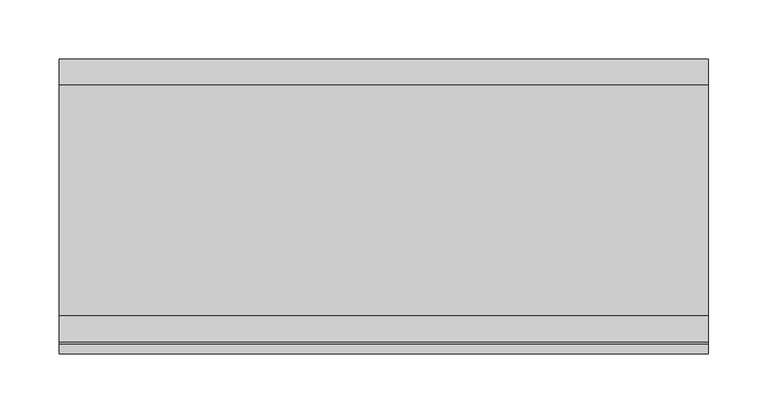
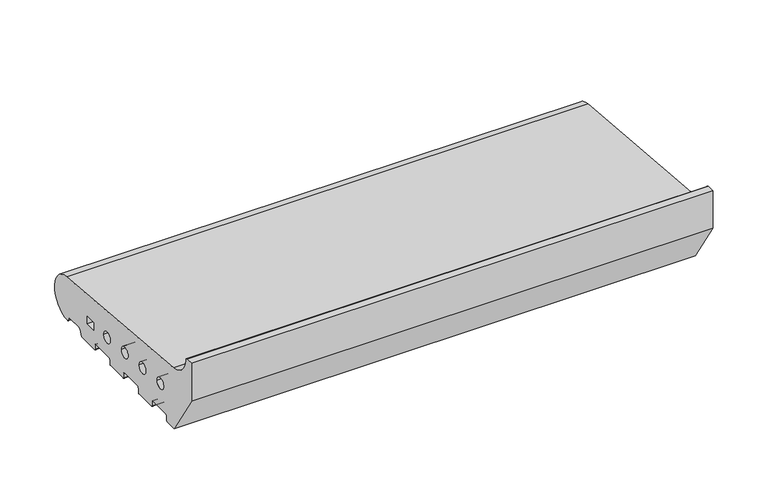
"""IFC4 building model written with IfcOpenShell, lengths in millimetres: proxy geometry."""

from ifc_helpers import new_model, si_unit, point, frame, frame_2d, origin, place, context, project, spatial, polyline, circle_curve, trimmed, segment, composite_curve, outline, extrude, source, transform, mapped, element, save


def generic_models_930ce304(model_context):
    return source(origin(), model_context, "Body", "SweptSolid", [
        extrude(outline(composite_curve([segment(trimmed(circle_curve(frame_2d((26.0, 26.5)), 24.0), [point((28.0858073, 50.4091909))], [point((26.5981483, 2.5074549))], False, "CARTESIAN"), True, "CONTINUOUS"), segment(trimmed(circle_curve(frame_2d((26.5732255, 3.5071443)), 1.0), [point((26.5981483, 2.5074549))], [point((25.7072001, 3.0071443))], False, "CARTESIAN"), True, "CONTINUOUS"), segment(polyline([(25.7072001, 3.0071443), (23.6905989, 6.5)]), True, "CONTINUOUS"), segment(trimmed(circle_curve(frame_2d((21.9585481, 5.5)), 2.0), [point((23.6905989, 6.5))], [point((21.9585481, 7.5))], True, "CARTESIAN"), True, "CONTINUOUS"), segment(polyline([(21.9585481, 7.5), (5.4848276, 7.5)]), True, "CONTINUOUS"), segment(trimmed(circle_curve(frame_2d((5.4848276, 5.5)), 2.0), [point((5.4848276, 7.5))], [point((3.7527767, 6.5))], True, "CARTESIAN"), True, "CONTINUOUS"), segment(polyline([(3.7527767, 6.5), (0.2886751, 0.5)]), True, "CONTINUOUS"), segment(trimmed(circle_curve(frame_2d((-0.5773503, 1.0)), 1.0), [point((0.2886751, 0.5))], [point((-0.5773503, 0.0))], False, "CARTESIAN"), True, "CONTINUOUS"), segment(polyline([(-0.5773503, 0.0), (-23.0, 0.0)]), True, "CONTINUOUS"), segment(trimmed(circle_curve(frame_2d((-23.0, 1.0)), 1.0), [point((-23.0, 0.0))], [point((-24.0, 1.0))], False, "CARTESIAN"), True, "CONTINUOUS"), segment(polyline([(-24.0, 1.0), (-24.0, 5.5)]), True, "CONTINUOUS"), segment(trimmed(circle_curve(frame_2d((-26.0, 5.5)), 2.0), [point((-24.0, 5.5))], [point((-26.0, 7.5))], True, "CARTESIAN"), True, "CONTINUOUS"), segment(polyline([(-26.0, 7.5), (-49.0, 7.5)]), True, "CONTINUOUS"), segment(trimmed(circle_curve(frame_2d((-49.0, 5.5)), 2.0), [point((-49.0, 7.5))], [point((-51.0, 5.5))], True, "CARTESIAN"), True, "CONTINUOUS"), segment(polyline([(-51.0, 5.5), (-51.0, 1.0)]), True, "CONTINUOUS"), segment(trimmed(circle_curve(frame_2d((-52.0, 1.0)), 1.0), [point((-51.0, 1.0))], [point((-52.0, 0.0))], False, "CARTESIAN"), True, "CONTINUOUS"), segment(polyline([(-52.0, 0.0), (-75.0, 0.0)]), True, "CONTINUOUS"), segment(trimmed(circle_curve(frame_2d((-75.0, 1.0)), 1.0), [point((-75.0, 0.0))], [point((-76.0, 1.0))], False, "CARTESIAN"), True, "CONTINUOUS"), segment(polyline([(-76.0, 1.0), (-76.0, 5.5)]), True, "CONTINUOUS"), segment(trimmed(circle_curve(frame_2d((-78.0, 5.5)), 2.0), [point((-76.0, 5.5))], [point((-78.0, 7.5))], True, "CARTESIAN"), True, "CONTINUOUS"), segment(polyline([(-78.0, 7.5), (-101.0, 7.5)]), True, "CONTINUOUS"), segment(trimmed(circle_curve(frame_2d((-101.0, 5.5)), 2.0), [point((-101.0, 7.5))], [point((-103.0, 5.5))], True, "CARTESIAN"), True, "CONTINUOUS"), segment(polyline([(-103.0, 5.5), (-103.0, 1.0)]), True, "CONTINUOUS"), segment(trimmed(circle_curve(frame_2d((-104.0, 1.0)), 1.0), [point((-103.0, 1.0))], [point((-104.0, 0.0))], False, "CARTESIAN"), True, "CONTINUOUS"), segment(polyline([(-104.0, 0.0), (-127.0, 0.0)]), True, "CONTINUOUS"), segment(trimmed(circle_curve(frame_2d((-127.0, 1.0)), 1.0), [point((-127.0, 0.0))], [point((-128.0, 1.0))], False, "CARTESIAN"), True, "CONTINUOUS"), segment(polyline([(-128.0, 1.0), (-128.0, 5.5)]), True, "CONTINUOUS"), segment(trimmed(circle_curve(frame_2d((-130.0, 5.5)), 2.0), [point((-128.0, 5.5))], [point((-130.0, 7.5))], True, "CARTESIAN"), True, "CONTINUOUS"), segment(polyline([(-130.0, 7.5), (-153.0, 7.5)]), True, "CONTINUOUS"), segment(trimmed(circle_curve(frame_2d((-153.0, 5.5)), 2.0), [point((-153.0, 7.5))], [point((-155.0, 5.5))], True, "CARTESIAN"), True, "CONTINUOUS"), segment(polyline([(-155.0, 5.5), (-155.0, 1.0)]), True, "CONTINUOUS"), segment(trimmed(circle_curve(frame_2d((-156.0, 1.0)), 1.0), [point((-155.0, 1.0))], [point((-156.0, 0.0))], False, "CARTESIAN"), True, "CONTINUOUS"), segment(polyline([(-156.0, 0.0), (-168.0, 0.0), (-200.0, 50.0), (-200.0, 91.9790981), (-191.9246962, 91.9790981)]), True, "CONTINUOUS"), segment(trimmed(circle_curve(frame_2d((-191.9246962, 89.9790981)), 2.0), [point((-191.9246962, 91.9790981))], [point((-189.9303588, 90.1294924))], False, "CARTESIAN"), True, "CONTINUOUS"), segment(trimmed(circle_curve(frame_2d((-165.4032519, 91.9790985)), 24.5967481), [point((-189.9303588, 90.1294924))], [point((-167.5409218, 67.4754175))], True, "CARTESIAN"), True, "CONTINUOUS"), segment(polyline([(-167.5409218, 67.4754175), (28.0858073, 50.4091909)]), True, "CONTINUOUS")], self_intersect=False), holes=[polyline([(-21.5, 20.9289), (-9.5, 20.9289), (-9.5, 28.9289), (-21.5, 28.9289), (-21.5, 20.9289)]), composite_curve([segment(trimmed(circle_curve(frame_2d((-45.5, 27.333)), 6.0), [point((-51.5, 27.333))], [point((-39.5, 27.333))], True, "CARTESIAN"), True, "CONTINUOUS"), segment(trimmed(circle_curve(frame_2d((-45.5, 27.333)), 6.0), [point((-39.5, 27.333))], [point((-51.5, 27.333))], True, "CARTESIAN"), True, "CONTINUOUS")], self_intersect=False), composite_curve([segment(trimmed(circle_curve(frame_2d((-78.0, 30.0)), 6.0), [point((-84.0, 30.0))], [point((-72.0, 30.0))], True, "CARTESIAN"), True, "CONTINUOUS"), segment(trimmed(circle_curve(frame_2d((-78.0, 30.0)), 6.0), [point((-72.0, 30.0))], [point((-84.0, 30.0))], True, "CARTESIAN"), True, "CONTINUOUS")], self_intersect=False), composite_curve([segment(trimmed(circle_curve(frame_2d((-110.5, 32.667)), 6.0), [point((-116.5, 32.667))], [point((-104.5, 32.667))], True, "CARTESIAN"), True, "CONTINUOUS"), segment(trimmed(circle_curve(frame_2d((-110.5, 32.667)), 6.0), [point((-104.5, 32.667))], [point((-116.5, 32.667))], True, "CARTESIAN"), True, "CONTINUOUS")], self_intersect=False), composite_curve([segment(trimmed(circle_curve(frame_2d((-143.0, 35.334)), 6.0), [point((-149.0, 35.334))], [point((-137.0, 35.334))], True, "CARTESIAN"), True, "CONTINUOUS"), segment(trimmed(circle_curve(frame_2d((-143.0, 35.334)), 6.0), [point((-137.0, 35.334))], [point((-149.0, 35.334))], True, "CARTESIAN"), True, "CONTINUOUS")], self_intersect=False)]), frame((0.0, 0.0, 0.0), z_axis=(1.0, 0.0, 0.0), x_axis=(0.0, 1.0, 0.0)), (0.0, 0.0, 1.0), 550.0),
    ])


if __name__ == "__main__":
    model = new_model("IFC4")
    model_context = context("Model", 3, world=origin())
    ifc_project = project(units=[si_unit("LENGTHUNIT", "METRE", prefix="MILLI")], contexts=[model_context])
    site = spatial("IfcSite", under=ifc_project)
    building = spatial("IfcBuilding", under=site)
    placement = place(None, origin())
    generic_models_shape = generic_models_930ce304(model_context)
    element("IfcBuildingElementProxy", 1, Name="Generic Models", at=placement, inside=building, context=model_context, shape_type="MappedRepresentation", body=[
        mapped(generic_models_shape, transform((0.0, 0.0, 0.0), x_axis=(1.0, 0.0, 0.0), y_axis=(0.0, 1.0, 0.0), z_axis=(0.0, 0.0, 1.0))),
    ])
    save(model, "model.ifc")
